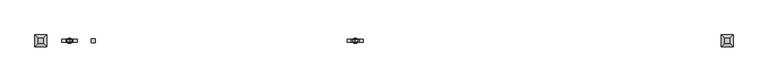
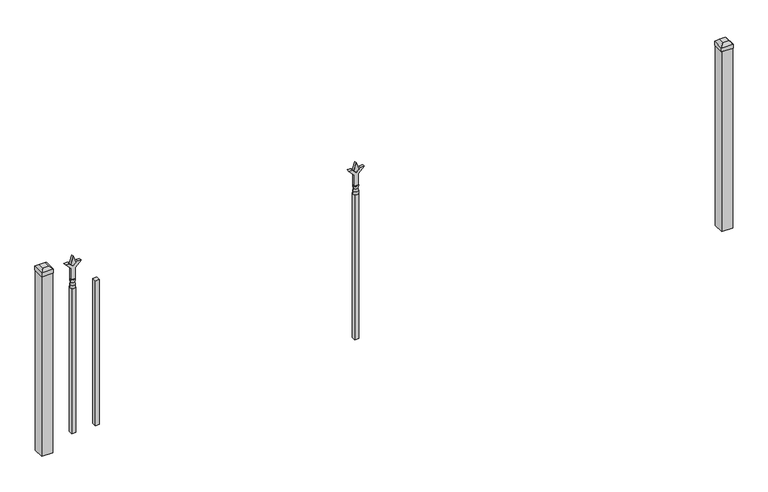
"""IFC4 building model written with IfcOpenShell, lengths in millimetres: railing geometry."""

from ifc_helpers import new_model, si_unit, frame, origin, origin_with_axes, place, context, project, spatial, polyline, circle_curve, outline, extrude, faceted_brep, source, transform, mapped, element, save
from ifc_brep_helpers import plane_surface, cylinder_surface, revolved_surface, advanced_brep


def railing_3f04afce(model_context):
    return source(origin(), model_context, "Body", "SolidModel", [
        extrude(outline(polyline([(-91568.4076703, 5470.2679826), (-91549.3576703, 5470.2679826), (-91549.3576703, 5451.2179826), (-91568.4076703, 5451.2179826), (-91568.4076703, 5470.2679826)])), frame((0.0, 0.0, 50.8), z_axis=(0.0, 0.0, 1.0), x_axis=(1.0, 0.0, 0.0)), (0.0, 0.0, 1.0), 711.2),
        extrude(outline(polyline([(878.68125, -90344.974337), (914.4, -90356.880587), (878.68125, -90368.786837), (866.775, -90356.880587), (878.68125, -90344.974337)])), frame((0.0, 5455.9804826, 0.0), z_axis=(0.0, 1.0, 0.0), x_axis=(0.0, 0.0, 1.0)), (0.0, 0.0, 1.0), 9.525),
        extrude(outline(polyline([(803.275, -90348.149337), (857.5457378, -90348.149337), (884.7355122, -90320.9595625), (884.7355122, -90338.9200747), (866.775, -90356.880587), (884.7355122, -90374.8410992), (884.7355122, -90392.8016114), (857.5457378, -90365.611837), (803.275, -90365.611837), (803.275, -90348.149337)])), frame((0.0, 5454.3929826, 0.0), z_axis=(0.0, 1.0, 0.0), x_axis=(0.0, 0.0, 1.0)), (0.0, 0.0, 1.0), 12.7),
        advanced_brep(
        [(-90344.974337, 5460.7429826, 774.7), (-90368.786837, 5460.7429826, 774.7), (-90368.786837, 5460.7429826, 762.0), (-90344.974337, 5460.7429826, 762.0), (-90347.1796688, 5460.7429826, 787.2070585), (-90366.5815051, 5460.7429826, 787.2070585), (-90344.974337, 5460.7429826, 803.275), (-90368.786837, 5460.7429826, 803.275), (-90356.880587, 5460.7429826, 803.275), (-90356.880587, 5460.7429826, 762.0)],
        [
            (0, 1, circle_curve(frame((-90356.880587, 5460.7429826, 774.7), z_axis=(0.0, 0.0, -1.0), x_axis=(-1.0, 0.0, 0.0)), 11.90625)),
            (1, 2),
            (2, 3, circle_curve(frame((-90356.880587, 5460.7429826, 762.0), z_axis=(0.0, 0.0, 1.0), x_axis=(-1.0, 0.0, 0.0)), 11.90625)),
            (3, 0),
            (1, 0, circle_curve(frame((-90356.880587, 5460.7429826, 774.7), z_axis=(0.0, 0.0, -1.0), x_axis=(-1.0, 0.0, 0.0)), 11.90625)),
            (3, 2, circle_curve(frame((-90356.880587, 5460.7429826, 762.0), z_axis=(0.0, 0.0, 1.0), x_axis=(-1.0, 0.0, 0.0)), 11.90625)),
            (4, 5, circle_curve(frame((-90356.880587, 5460.7429826, 787.2070585), z_axis=(0.0, 0.0, -1.0), x_axis=(-1.0, 0.0, 0.0)), 9.7009181)),
            (5, 1),
            (0, 4),
            (5, 4, circle_curve(frame((-90356.880587, 5460.7429826, 787.2070585), z_axis=(0.0, 0.0, -1.0), x_axis=(-1.0, 0.0, 0.0)), 9.7009181)),
            (6, 7, circle_curve(frame((-90356.880587, 5460.7429826, 803.275), z_axis=(0.0, 0.0, -1.0), x_axis=(-1.0, 0.0, 0.0)), 11.90625)),
            (7, 5),
            (4, 6),
            (7, 6, circle_curve(frame((-90356.880587, 5460.7429826, 803.275), z_axis=(0.0, 0.0, -1.0), x_axis=(-1.0, 0.0, 0.0)), 11.90625)),
            (8, 7),
            (6, 8),
            (2, 9),
            (9, 3),
        ],
        [
            cylinder_surface(frame((-90356.880587, 5460.7429826, 762.0), z_axis=(0.0, 0.0, 1.0), x_axis=(-1.0, 0.0, 0.0)), 11.90625),
            revolved_surface(polyline([(-90368.786837, 5460.7429826, 774.7), (-90366.5815051, 5460.7429826, 787.2070585)]), (-90356.880587, 5460.7429826, 762.0), (0.0, 0.0, 1.0)),
            revolved_surface(polyline([(-90366.5815051, 5460.7429826, 787.2070585), (-90368.786837, 5460.7429826, 803.275)]), (-90356.880587, 5460.7429826, 762.0), (0.0, 0.0, 1.0)),
            plane_surface(frame((-90356.880587, 5460.7429826, 803.275), z_axis=(0.0, 0.0, 1.0), x_axis=(-1.0, 0.0, 0.0))),
            plane_surface(frame((-90356.880587, 5460.7429826, 762.0), z_axis=(0.0, 0.0, -1.0), x_axis=(-1.0, 0.0, 0.0))),
        ],
        [
            (0, [[1, 2, 3, 4]]),
            (0, [[5, -4, 6, -2]]),
            (1, [[7, 8, -1, 9]]),
            (1, [[10, -9, -5, -8]]),
            (2, [[11, 12, -7, 13]]),
            (2, [[14, -13, -10, -12]]),
            (3, [[15, -11, 16]]),
            (3, [[-16, -14, -15]]),
            (4, [[-3, 17, 18]]),
            (4, [[-6, -18, -17]]),
        ],
    ),
        extrude(outline(polyline([(-90366.405587, 5470.2679826), (-90347.355587, 5470.2679826), (-90347.355587, 5451.2179826), (-90366.405587, 5451.2179826), (-90366.405587, 5470.2679826)])), frame((0.0, 0.0, 50.8), z_axis=(0.0, 0.0, 1.0), x_axis=(1.0, 0.0, 0.0)), (0.0, 0.0, 1.0), 711.2),
        extrude(outline(polyline([(878.68125, -91656.249337), (914.4, -91668.155587), (878.68125, -91680.061837), (866.775, -91668.155587), (878.68125, -91656.249337)])), frame((0.0, 5455.9804826, 0.0), z_axis=(0.0, 1.0, 0.0), x_axis=(0.0, 0.0, 1.0)), (0.0, 0.0, 1.0), 9.525),
        extrude(outline(polyline([(803.275, -91659.424337), (857.5457378, -91659.424337), (884.7355122, -91632.2345625), (884.7355122, -91650.1950747), (866.775, -91668.155587), (884.7355122, -91686.1160992), (884.7355122, -91704.0766114), (857.5457378, -91676.886837), (803.275, -91676.886837), (803.275, -91659.424337)])), frame((0.0, 5454.3929826, 0.0), z_axis=(0.0, 1.0, 0.0), x_axis=(0.0, 0.0, 1.0)), (0.0, 0.0, 1.0), 12.7),
        advanced_brep(
        [(-91656.249337, 5460.7429826, 774.7), (-91680.061837, 5460.7429826, 774.7), (-91680.061837, 5460.7429826, 762.0), (-91656.249337, 5460.7429826, 762.0), (-91658.4546688, 5460.7429826, 787.2070585), (-91677.8565051, 5460.7429826, 787.2070585), (-91656.249337, 5460.7429826, 803.275), (-91680.061837, 5460.7429826, 803.275), (-91668.155587, 5460.7429826, 803.275), (-91668.155587, 5460.7429826, 762.0)],
        [
            (0, 1, circle_curve(frame((-91668.155587, 5460.7429826, 774.7), z_axis=(0.0, 0.0, -1.0), x_axis=(-1.0, 0.0, 0.0)), 11.90625)),
            (1, 2),
            (2, 3, circle_curve(frame((-91668.155587, 5460.7429826, 762.0), z_axis=(0.0, 0.0, 1.0), x_axis=(-1.0, 0.0, 0.0)), 11.90625)),
            (3, 0),
            (1, 0, circle_curve(frame((-91668.155587, 5460.7429826, 774.7), z_axis=(0.0, 0.0, -1.0), x_axis=(-1.0, 0.0, 0.0)), 11.90625)),
            (3, 2, circle_curve(frame((-91668.155587, 5460.7429826, 762.0), z_axis=(0.0, 0.0, 1.0), x_axis=(-1.0, 0.0, 0.0)), 11.90625)),
            (4, 5, circle_curve(frame((-91668.155587, 5460.7429826, 787.2070585), z_axis=(0.0, 0.0, -1.0), x_axis=(-1.0, 0.0, 0.0)), 9.7009181)),
            (5, 1),
            (0, 4),
            (5, 4, circle_curve(frame((-91668.155587, 5460.7429826, 787.2070585), z_axis=(0.0, 0.0, -1.0), x_axis=(-1.0, 0.0, 0.0)), 9.7009181)),
            (6, 7, circle_curve(frame((-91668.155587, 5460.7429826, 803.275), z_axis=(0.0, 0.0, -1.0), x_axis=(-1.0, 0.0, 0.0)), 11.90625)),
            (7, 5),
            (4, 6),
            (7, 6, circle_curve(frame((-91668.155587, 5460.7429826, 803.275), z_axis=(0.0, 0.0, -1.0), x_axis=(-1.0, 0.0, 0.0)), 11.90625)),
            (8, 7),
            (6, 8),
            (2, 9),
            (9, 3),
        ],
        [
            cylinder_surface(frame((-91668.155587, 5460.7429826, 762.0), z_axis=(0.0, 0.0, 1.0), x_axis=(-1.0, 0.0, 0.0)), 11.90625),
            revolved_surface(polyline([(-91680.061837, 5460.7429826, 774.7), (-91677.8565051, 5460.7429826, 787.2070585)]), (-91668.155587, 5460.7429826, 762.0), (0.0, 0.0, 1.0)),
            revolved_surface(polyline([(-91677.8565051, 5460.7429826, 787.2070585), (-91680.061837, 5460.7429826, 803.275)]), (-91668.155587, 5460.7429826, 762.0), (0.0, 0.0, 1.0)),
            plane_surface(frame((-91668.155587, 5460.7429826, 803.275), z_axis=(0.0, 0.0, 1.0), x_axis=(-1.0, 0.0, 0.0))),
            plane_surface(frame((-91668.155587, 5460.7429826, 762.0), z_axis=(0.0, 0.0, -1.0), x_axis=(-1.0, 0.0, 0.0))),
        ],
        [
            (0, [[1, 2, 3, 4]]),
            (0, [[5, -4, 6, -2]]),
            (1, [[7, 8, -1, 9]]),
            (1, [[10, -9, -5, -8]]),
            (2, [[11, 12, -7, 13]]),
            (2, [[14, -13, -10, -12]]),
            (3, [[15, -11, 16]]),
            (3, [[-16, -14, -15]]),
            (4, [[-3, 17, 18]]),
            (4, [[-6, -18, -17]]),
        ],
    ),
        extrude(outline(polyline([(-91677.680587, 5470.2679826), (-91658.630587, 5470.2679826), (-91658.630587, 5451.2179826), (-91677.680587, 5451.2179826), (-91677.680587, 5470.2679826)])), frame((0.0, 0.0, 50.8), z_axis=(0.0, 0.0, 1.0), x_axis=(1.0, 0.0, 0.0)), (0.0, 0.0, 1.0), 711.2),
        faceted_brep([(-88677.305587, 5487.7304826, 901.7), (-88677.305587, 5487.7304826, 882.65), (-88677.305587, 5433.7554826, 882.65), (-88677.305587, 5433.7554826, 901.7), (-88664.605587, 5475.0304826, 914.4), (-88664.605587, 5446.4554826, 914.4), (-88623.330587, 5433.7554826, 882.65), (-88623.330587, 5433.7554826, 901.7), (-88636.030587, 5446.4554826, 914.4), (-88623.330587, 5487.7304826, 882.65), (-88623.330587, 5487.7304826, 901.7), (-88636.030587, 5475.0304826, 914.4)], [[[0, 1, 2, 3]], [[4, 0, 3, 5]], [[3, 2, 6, 7]], [[5, 3, 7, 8]], [[7, 6, 9, 10]], [[8, 7, 10, 11]], [[10, 9, 1, 0]], [[11, 10, 0, 4]], [[5, 8, 11, 4]], [[1, 9, 6, 2]]]),
        extrude(outline(polyline([(-88624.918087, 5486.1429826), (-88624.918087, 5435.3429826), (-88675.718087, 5435.3429826), (-88675.718087, 5486.1429826), (-88624.918087, 5486.1429826)])), origin_with_axes(), (0.0, 0.0, 1.0), 882.65),
        faceted_brep([(-91826.905587, 5487.7304826, 901.7), (-91826.905587, 5487.7304826, 882.65), (-91826.905587, 5433.7554826, 882.65), (-91826.905587, 5433.7554826, 901.7), (-91814.205587, 5475.0304826, 914.4), (-91814.205587, 5446.4554826, 914.4), (-91772.930587, 5433.7554826, 882.65), (-91772.930587, 5433.7554826, 901.7), (-91785.630587, 5446.4554826, 914.4), (-91772.930587, 5487.7304826, 882.65), (-91772.930587, 5487.7304826, 901.7), (-91785.630587, 5475.0304826, 914.4)], [[[0, 1, 2, 3]], [[4, 0, 3, 5]], [[3, 2, 6, 7]], [[5, 3, 7, 8]], [[7, 6, 9, 10]], [[8, 7, 10, 11]], [[10, 9, 1, 0]], [[11, 10, 0, 4]], [[5, 8, 11, 4]], [[1, 9, 6, 2]]]),
        extrude(outline(polyline([(-91774.518087, 5486.1429826), (-91774.518087, 5435.3429826), (-91825.318087, 5435.3429826), (-91825.318087, 5486.1429826), (-91774.518087, 5486.1429826)])), origin_with_axes(), (0.0, 0.0, 1.0), 882.65),
    ])


if __name__ == "__main__":
    model = new_model("IFC4")
    model_context = context("Model", 3, world=origin())
    ifc_project = project(units=[si_unit("LENGTHUNIT", "METRE", prefix="MILLI")], contexts=[model_context])
    site = spatial("IfcSite", under=ifc_project)
    building = spatial("IfcBuilding", under=site)
    placement = place(None, origin())
    railing_shape = railing_3f04afce(model_context)
    element("IfcRailing", 1, at=placement, inside=building, context=model_context, shape_type="MappedRepresentation", body=[
        mapped(railing_shape, transform((0.0, 0.0, 0.0), x_axis=(1.0, 0.0, 0.0), y_axis=(0.0, 1.0, 0.0), z_axis=(0.0, 0.0, 1.0))),
    ])
    save(model, "model.ifc")
